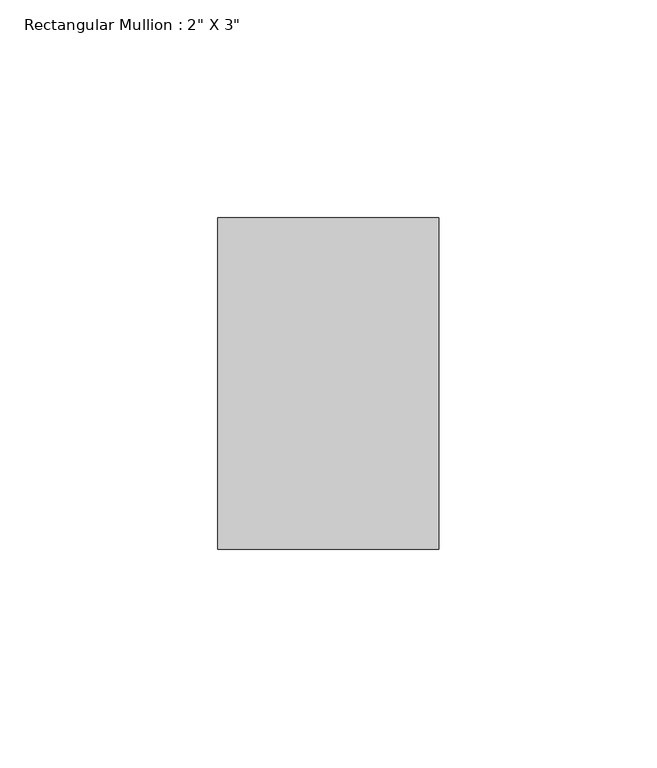
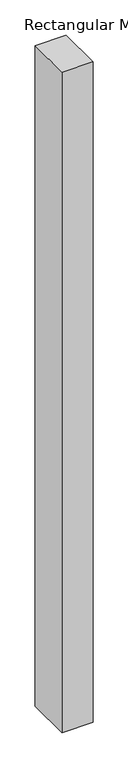
"""IFC4 building model written with IfcOpenShell, lengths in millimetres: member geometry."""

from ifc_helpers import new_model, si_unit, frame, origin, place, context, project, spatial, polyline, outline, extrude, source, transform, mapped, element, save


def member_fb5cd841(model_context):
    return source(origin(), model_context, "Body", "SweptSolid", [
        extrude(outline(polyline([(25.4, 63.5), (25.4, -12.7), (-25.4, -12.7), (-25.4, 63.5), (25.4, 63.5)])), frame((0.0, 0.0, -1143.0), z_axis=(0.0, 0.0, 1.0), x_axis=(1.0, 0.0, 0.0)), (0.0, 0.0, 1.0), 1143.0),
    ])


if __name__ == "__main__":
    model = new_model("IFC4")
    model_context = context("Model", 3, world=origin())
    ifc_project = project(units=[si_unit("LENGTHUNIT", "METRE", prefix="MILLI")], contexts=[model_context])
    site = spatial("IfcSite", under=ifc_project)
    building = spatial("IfcBuilding", under=site)
    placement = place(None, origin())
    member_shape = member_fb5cd841(model_context)
    element("IfcMember", 1, ObjectType="Rectangular Mullion : 2\" X 3\"", at=placement, inside=building, context=model_context, shape_type="MappedRepresentation", body=[
        mapped(member_shape, transform((0.0, 0.0, 0.0), x_axis=(1.0, 0.0, 0.0), y_axis=(0.0, 1.0, 0.0), z_axis=(0.0, 0.0, 1.0))),
    ])
    save(model, "model.ifc")
